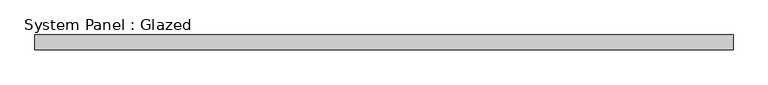
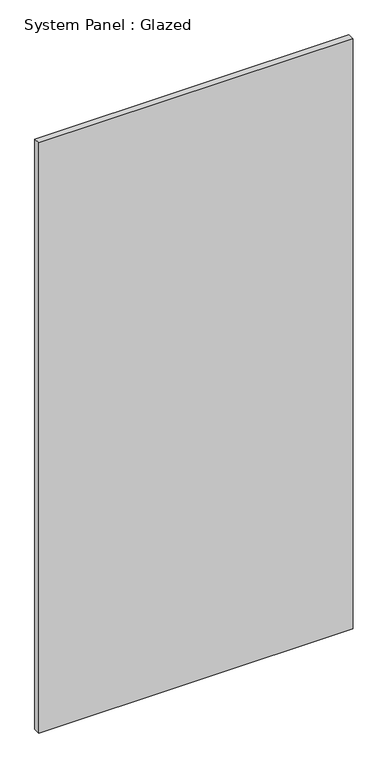
"""IFC4 building model written with IfcOpenShell, lengths in millimetres: plate geometry, System Panel : Glazed."""

from ifc_helpers import new_model, si_unit, origin, origin_with_axes, place, context, project, spatial, polyline, outline, extrude, source, transform, mapped, element, save


def system_panel_glazed_c5723fb7(model_context):
    return source(origin(), model_context, "Body", "SweptSolid", [
        extrude(outline(polyline([(585.8286751, 24.5), (-585.8286751, 24.5), (-585.8286751, 49.5), (585.8286751, 49.5), (585.8286751, 24.5)])), origin_with_axes(), (0.0, 0.0, 1.0), 2325.0),
    ])


if __name__ == "__main__":
    model = new_model("IFC4")
    model_context = context("Model", 3, world=origin())
    ifc_project = project(units=[si_unit("LENGTHUNIT", "METRE", prefix="MILLI")], contexts=[model_context])
    site = spatial("IfcSite", under=ifc_project)
    building = spatial("IfcBuilding", under=site)
    placement = place(None, origin())
    system_panel_glazed_shape = system_panel_glazed_c5723fb7(model_context)
    element("IfcPlate", 1, ObjectType="System Panel : Glazed", at=placement, inside=building, context=model_context, shape_type="MappedRepresentation", body=[
        mapped(system_panel_glazed_shape, transform((0.0, 0.0, 0.0), x_axis=(1.0, 0.0, 0.0), y_axis=(0.0, 1.0, 0.0), z_axis=(0.0, 0.0, 1.0))),
    ])
    save(model, "model.ifc")
